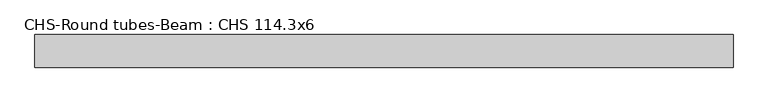
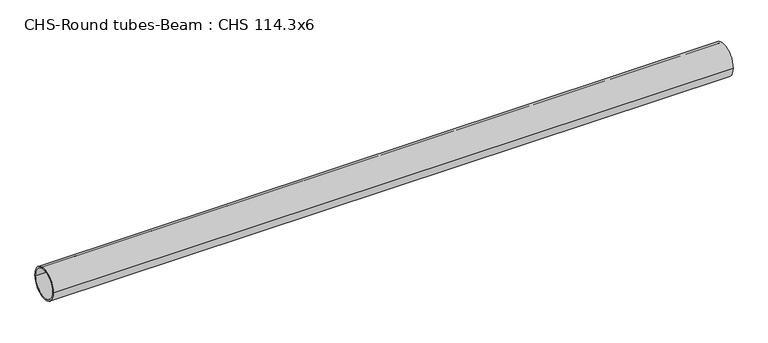
"""IFC4 building model written with IfcOpenShell, lengths in millimetres: beam geometry, CHS-Round tubes-Beam : CHS 114.3x6."""

from ifc_helpers import new_model, si_unit, point, frame, origin, origin_2d, place, context, project, spatial, circle_curve, trimmed, segment, composite_curve, outline, extrude, source, transform, mapped, element, save


def chs_round_tubes_beam_chs_114_3x6_7c6e9163(model_context):
    return source(origin(), model_context, "Body", "SweptSolid", [
        extrude(outline(composite_curve([segment(trimmed(circle_curve(origin_2d(), 57.15), [point((57.15, 0.0))], [point((-57.15, 0.0))], False, "CARTESIAN"), True, "CONTINUOUS"), segment(trimmed(circle_curve(origin_2d(), 57.15), [point((-57.15, 0.0))], [point((57.15, 0.0))], False, "CARTESIAN"), True, "CONTINUOUS")], self_intersect=False), holes=[composite_curve([segment(trimmed(circle_curve(origin_2d(), 51.15), [point((51.15, 0.0))], [point((-51.15, 0.0))], True, "CARTESIAN"), True, "CONTINUOUS"), segment(trimmed(circle_curve(origin_2d(), 51.15), [point((-51.15, 0.0))], [point((51.15, 0.0))], True, "CARTESIAN"), True, "CONTINUOUS")], self_intersect=False)]), frame((-1169.7600491, 0.0, 0.0), z_axis=(1.0, 0.0, 0.0), x_axis=(0.0, 1.0, 0.0)), (0.0, 0.0, 1.0), 2442.4757406),
    ])


if __name__ == "__main__":
    model = new_model("IFC4")
    model_context = context("Model", 3, world=origin())
    ifc_project = project(units=[si_unit("LENGTHUNIT", "METRE", prefix="MILLI")], contexts=[model_context])
    site = spatial("IfcSite", under=ifc_project)
    building = spatial("IfcBuilding", under=site)
    placement = place(None, origin())
    chs_round_tubes_beam_chs_114_3x6_shape = chs_round_tubes_beam_chs_114_3x6_7c6e9163(model_context)
    element("IfcBeam", 1, ObjectType="CHS-Round tubes-Beam : CHS 114.3x6", at=placement, inside=building, context=model_context, shape_type="MappedRepresentation", body=[
        mapped(chs_round_tubes_beam_chs_114_3x6_shape, transform((0.0, 0.0, 0.0), x_axis=(1.0, 0.0, 0.0), y_axis=(0.0, 1.0, 0.0), z_axis=(0.0, 0.0, 1.0))),
    ])
    save(model, "model.ifc")
